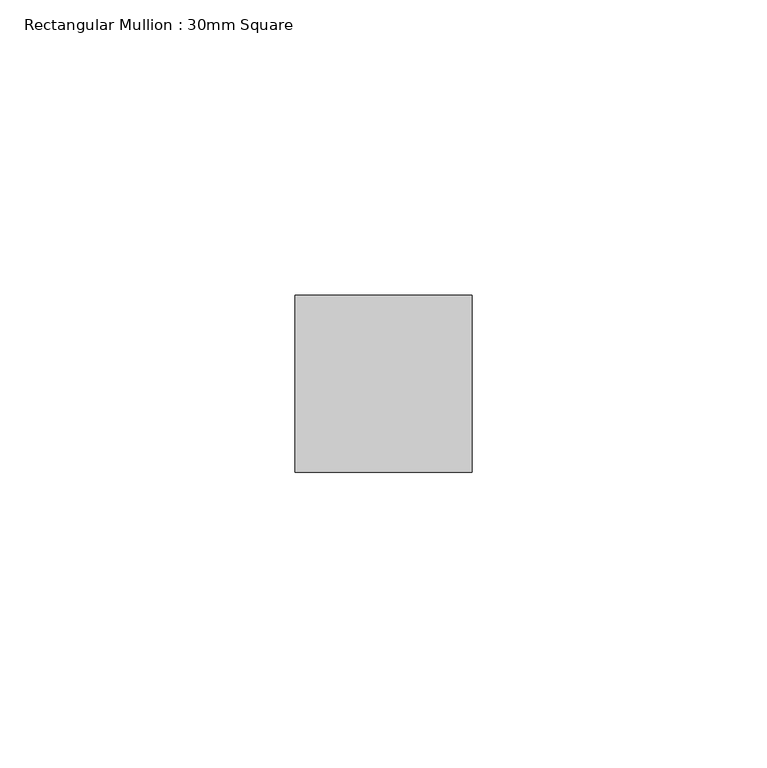
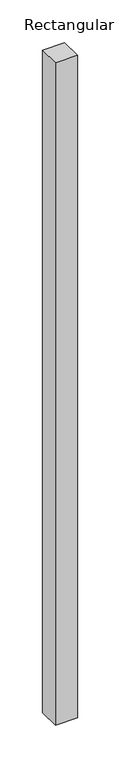
"""IFC4 building model written with IfcOpenShell, lengths in millimetres: member geometry, Rectangular Mullion : 30mm Square."""

from ifc_helpers import new_model, si_unit, frame, origin, place, context, project, spatial, polyline, outline, extrude, source, transform, mapped, element, save


def rectangular_mullion_30mm_square_72543e76(model_context):
    return source(origin(), model_context, "Body", "SweptSolid", [
        extrude(outline(polyline([(15.0, 15.0), (15.0, -15.0), (-15.0, -15.0), (-15.0, 15.0), (15.0, 15.0)])), frame((0.0, 0.0, -946.2561064), z_axis=(0.0, 0.0, 1.0), x_axis=(1.0, 0.0, 0.0)), (0.0, 0.0, 1.0), 946.2561064),
    ])


if __name__ == "__main__":
    model = new_model("IFC4")
    model_context = context("Model", 3, world=origin())
    ifc_project = project(units=[si_unit("LENGTHUNIT", "METRE", prefix="MILLI")], contexts=[model_context])
    site = spatial("IfcSite", under=ifc_project)
    building = spatial("IfcBuilding", under=site)
    placement = place(None, origin())
    rectangular_mullion_30mm_square_shape = rectangular_mullion_30mm_square_72543e76(model_context)
    element("IfcMember", 1, ObjectType="Rectangular Mullion : 30mm Square", at=placement, inside=building, context=model_context, shape_type="MappedRepresentation", body=[
        mapped(rectangular_mullion_30mm_square_shape, transform((0.0, 0.0, 0.0), x_axis=(1.0, 0.0, 0.0), y_axis=(0.0, 1.0, 0.0), z_axis=(0.0, 0.0, 1.0))),
    ])
    save(model, "model.ifc")
